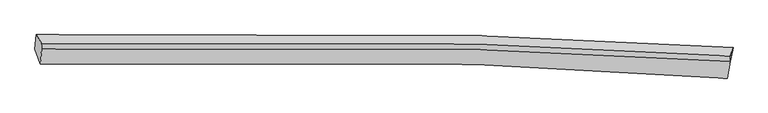
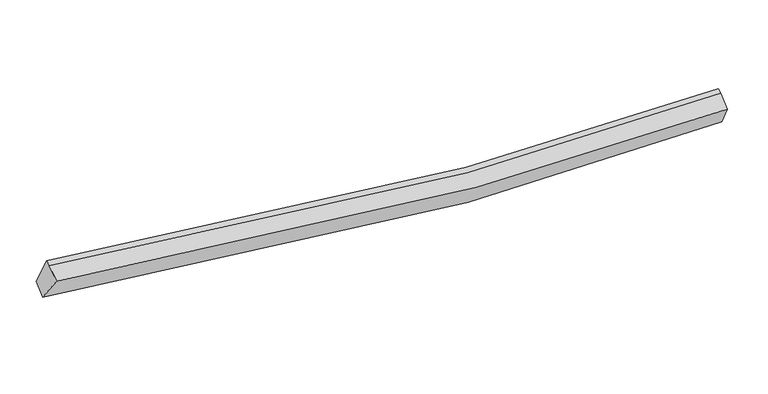
"""IFC4 building model written with IfcOpenShell, lengths in millimetres: proxy geometry."""

from ifc_helpers import new_model, si_unit, frame, origin, place, context, project, spatial, source, transform, mapped, element, save
from ifc_brep_helpers import plane_surface, spline_curve, spline_surface, advanced_brep


def generic_models_88e50571(model_context):
    return source(origin(), model_context, "Body", "AdvancedBrep", [
        advanced_brep(
        [(-9449.8197537, -1954.8500531, 3403.0215474), (-9415.8622438, -1582.9782816, 3622.1970563), (8699.5476912, -1916.4589649, 2465.3100207), (8612.5261823, -2345.5837469, 2313.8334652), (-9306.3752844, -2345.2947978, 4039.0848977), (8548.5519147, -2717.6869378, 2912.8060938), (-9276.9266668, -1959.474834, 4238.5145488), (8624.0620506, -2274.3059008, 3068.1138765), (-9271.1712283, -1817.7435855, 4287.2908558), (8629.6256412, -2137.2990273, 3115.2643066)],
        [
            (0, 1),
            (1, 2, spline_curve(3, [(-9415.8622438, -1582.9782816, 3622.1970563), (-5628.577152817, -1475.255797792, 2886.005037151), (-1817.527986868, -1480.363212183, 2461.405877881), (4236.745804965, -1666.558662258, 2282.995342018), (6464.1666171, -1772.61147624, 2321.965490192), (8699.5476912, -1916.4589649, 2465.3100207)], [4, 2, 4], [0.0, 37.769859214197076, 59.62977971405455])),
            (2, 3),
            (3, 0, spline_curve(3, [(8612.5261823, -2345.5837469, 2313.8334652), (6409.355078777, -2174.708589869, 2127.857547226), (4204.713365065, -2048.971523596, 2058.851709783), (-1813.148954765, -1829.112572336, 2189.689205883), (-5629.289219686, -1824.605073645, 2621.757736724), (-9449.8197537, -1954.8500531, 3403.0215474)], [4, 2, 4], [0.0, 21.859920499857473, 59.62977971405455])),
            (4, 0),
            (3, 5),
            (5, 4, spline_curve(3, [(8548.5519147, -2717.6869378, 2912.8060938), (6369.279722684, -2555.179050841, 2752.090377642), (4189.067471842, -2435.563510825, 2700.746058026), (-1760.708592509, -2226.27697179, 2859.033085707), (-5532.138741669, -2221.761798128, 3285.803673636), (-9306.3752844, -2345.2947978, 4039.0848977)], [4, 2, 4], [0.0, 21.706382151446277, 59.210955780386584])),
            (6, 4),
            (5, 7),
            (7, 6, spline_curve(3, [(8624.0620506, -2274.3059008, 3068.1138765), (6417.693369165, -2133.817367464, 2924.101838675), (4218.254618727, -2030.727585077, 2885.31425901), (-1762.499880478, -1851.534718129, 3066.541652102), (-5530.057368677, -1849.680813126, 3495.462789312), (-9276.9266668, -1959.474834, 4238.5145488)], [4, 2, 4], [0.0, 21.605422529569346, 58.93555679105472])),
            (8, 6),
            (7, 9),
            (9, 8, spline_curve(3, [(8629.6256412, -2137.2990273, 3115.2643066), (6423.344352201, -1994.658393556, 2971.992906511), (4223.969550991, -1889.993818433, 2933.747285804), (-1756.674454498, -1708.080007311, 3115.911083175), (-5524.23194359, -1706.226100743, 3544.832220773), (-9271.1712283, -1817.7435855, 4287.2908558)], [4, 2, 4], [0.0, 21.631540426823385, 59.00680153596872])),
            (1, 8),
            (9, 2),
            (7, 2),
            (3, 7),
        ],
        [
            spline_surface(3, 3, [[(-9449.8197537, -1954.8500531, 3403.0215474), (-5629.289219794, -1824.605074251, 2621.757736706), (-1813.148954774, -1829.112572361, 2189.689205278), (4204.71336507, -2048.971523581, 2058.851710133), (6409.355078749, -2174.70859008, 2127.857547484), (8612.5261823, -2345.5837469, 2313.8334652)], [(-9438.500583747, -1830.892795926, 3476.080050366), (-5629.051863943, -1708.155315426, 2709.840170276), (-1814.608632011, -1712.86278557, 2280.26142941), (4215.390844941, -1921.500569834, 2133.566254114), (6427.625591599, -2040.676218689, 2192.560194961), (8641.533351925, -2202.542152894, 2364.325650344)], [(-9427.181413753, -1706.935538774, 3549.138553334), (-5628.81450805, -1591.705556624, 2797.922603848), (-1816.068309211, -1596.612998798, 2370.833653581), (4226.06832485, -1794.029616106, 2208.280798134), (6445.896104474, -1906.643847315, 2257.262842507), (8670.540521575, -2059.500558906, 2414.817835556)], [(-9415.8622438, -1582.9782816, 3622.1970563), (-5628.577152199, -1475.255797799, 2886.005037417), (-1817.527986448, -1480.363212007, 2461.405877714), (4236.745804722, -1666.55866236, 2282.995342115), (6464.166617325, -1772.611475924, 2321.965489984), (8699.5476912, -1916.4589649, 2465.3100207)]], [4, 4], [4, 2, 4], [0.0, 1.4474980919100189], [0.0, 37.769859214197076, 59.62977971405455]),
            spline_surface(3, 3, [[(-9306.3752844, -2345.2947978, 4039.0848977), (-5532.138741351, -2221.761798453, 3285.803673089), (-1760.708592559, -2226.276971736, 2859.033085685), (4189.06747187, -2435.563510856, 2700.746058039), (6369.279722803, -2555.179050905, 2752.090377488), (8548.5519147, -2717.6869378, 2912.8060938)], [(-9354.190107493, -2215.146549584, 3827.063780929), (-5564.522234159, -2089.376223737, 3064.455027624), (-1778.188713304, -2093.888838615, 2635.918458891), (4194.282769596, -2306.699515102, 2486.781275411), (6382.638174787, -2428.355563976, 2544.012767494), (8569.876670569, -2593.652540846, 2713.148550941)], [(-9402.004930606, -2084.998301316, 3615.042664171), (-5596.905726986, -1956.990648967, 2843.106382171), (-1795.668834028, -1961.500705482, 2412.803832072), (4199.498067344, -2177.835519335, 2272.81649276), (6395.996626764, -2301.532077009, 2335.935157478), (8591.201426431, -2469.618143854, 2513.491008059)], [(-9449.8197537, -1954.8500531, 3403.0215474), (-5629.289219794, -1824.605074251, 2621.757736706), (-1813.148954774, -1829.112572361, 2189.689205278), (4204.71336507, -2048.971523581, 2058.851710133), (6409.355078749, -2174.70859008, 2127.857547484), (8612.5261823, -2345.5837469, 2313.8334652)]], [4, 4], [4, 2, 4], [0.0, 2.5241922623179494], [0.0, 37.50457362894031, 59.210955780386584]),
            spline_surface(3, 3, [[(-9276.9266668, -1959.474834, 4238.5145488), (-5530.057369173, -1849.680812677, 3495.462789879), (-1762.499880252, -1851.534718688, 3066.541652624), (4218.254618596, -2030.727584754, 2885.314258708), (6417.693368807, -2133.817367665, 2924.101838539), (8624.0620506, -2274.3059008, 3068.1138765)], [(-9286.742872666, -2088.081488599, 4172.037998458), (-5530.751159899, -1973.707807935, 3425.576417641), (-1761.902784356, -1976.448803033, 2997.37213031), (4208.525569685, -2165.672893451, 2823.791525151), (6401.555486793, -2274.271262072, 2866.764684878), (8598.892005287, -2422.099579793, 3016.344615623)], [(-9296.559078534, -2216.688143201, 4105.561448042), (-5531.444950626, -2097.734803196, 3355.690045328), (-1761.305688455, -2101.362887391, 2928.202607999), (4198.796520781, -2300.61820216, 2762.268791596), (6385.417604817, -2414.725156498, 2809.427531148), (8573.721960013, -2569.893258807, 2964.575354677)], [(-9306.3752844, -2345.2947978, 4039.0848977), (-5532.138741351, -2221.761798453, 3285.803673089), (-1760.708592559, -2226.276971736, 2859.033085685), (4189.06747187, -2435.563510856, 2700.746058039), (6369.279722803, -2555.179050905, 2752.090377488), (8548.5519147, -2717.6869378, 2912.8060938)]], [4, 4], [4, 2, 4], [0.0, 1.4213643170417682], [0.0, 37.33013426148538, 58.93555679105472]),
            spline_surface(3, 3, [[(-9271.1712283, -1817.7435855, 4287.2908558), (-5524.231944079, -1706.226100828, 3544.832220685), (-1756.674455058, -1708.080006839, 3115.91108343), (4223.969551316, -1889.993818707, 2933.747285656), (6423.34435216, -1994.658393318, 2971.992906521), (8629.6256412, -2137.2990273, 3115.2643066)], [(-9273.089707807, -1864.987334997, 4271.032086785), (-5526.173752451, -1754.044338108, 3528.375743735), (-1758.61626343, -1755.898244118, 3099.45460648), (4222.064573768, -1936.905074052, 2917.602943325), (6421.460691052, -2041.044718114, 2956.029217179), (8627.77111101, -2182.967985147, 3099.547496552)], [(-9275.008187293, -1912.231084503, 4254.773317815), (-5528.115560801, -1801.862575398, 3511.919266829), (-1760.55807188, -1803.716481408, 3082.998129574), (4220.159596143, -1983.816329408, 2901.458601039), (6419.577029915, -2087.431042869, 2940.06552788), (8625.91658079, -2228.636942953, 3083.830686548)], [(-9276.9266668, -1959.474834, 4238.5145488), (-5530.057369173, -1849.680812677, 3495.462789879), (-1762.499880252, -1851.534718688, 3066.541652624), (4218.254618596, -2030.727584754, 2885.314258708), (6417.693368807, -2133.817367665, 2924.101838539), (8624.0620506, -2274.3059008, 3068.1138765)]], [4, 4], [4, 2, 4], [0.0, 0.4951107824847415], [0.0, 37.375261109145335, 59.00680153596872]),
            spline_surface(3, 3, [[(-9415.8622438, -1582.9782816, 3622.1970563), (-5628.577152199, -1475.255797799, 2886.005037417), (-1817.527986448, -1480.363212007, 2461.405877714), (4236.745804722, -1666.55866236, 2282.995342115), (6464.166617325, -1772.611475924, 2321.965489984), (8699.5476912, -1916.4589649, 2465.3100207)], [(-9367.631905286, -1661.233382895, 3843.894989462), (-5593.795416145, -1552.245898804, 3105.614098502), (-1797.243475989, -1556.268810294, 2679.57427964), (4232.487053582, -1741.037047819, 2499.912656649), (6450.559195612, -1846.627115042, 2538.641295503), (8676.240341209, -1990.07231902, 2681.96144934)], [(-9319.401566814, -1739.488484205, 4065.592922638), (-5559.013680133, -1629.235999824, 3325.223159601), (-1776.958965517, -1632.174408551, 2897.742681504), (4228.228302455, -1815.515433248, 2716.829971122), (6436.951773873, -1920.6427542, 2755.317101002), (8652.932991191, -2063.68567318, 2898.61287796)], [(-9271.1712283, -1817.7435855, 4287.2908558), (-5524.231944079, -1706.226100828, 3544.832220685), (-1756.674455058, -1708.080006839, 3115.91108343), (4223.969551316, -1889.993818707, 2933.747285656), (6423.34435216, -1994.658393318, 2971.992906521), (8629.6256412, -2137.2990273, 3115.2643066)]], [4, 4], [4, 2, 4], [0.0, 2.27510651091268], [0.0, 37.595965403850165, 59.35524203188267]),
            plane_surface(frame((-9344.0310354, -1932.0683104, 3918.0217812), z_axis=(-0.9788477695332002, -0.02990358265230647, 0.20239273659011486), x_axis=(-0.07842576990179873, -0.8588477219991593, -0.506191652471833))),
            plane_surface(frame((8651.078461, -2109.354631, 2882.8960679), z_axis=(0.9941120298943718, -0.06909479529833322, 0.08346964287675675), x_axis=(0.1070610609138764, 0.5075332516944152, -0.8549549272683845))),
            plane_surface(frame((8595.0467159, -2445.8588618, 2764.9178118), z_axis=(0.9857584513609005, -0.16816542753702068, 0.0008152004971950372), x_axis=(-0.1586932221355351, -0.9318161663788738, -0.32639714049485924))),
            plane_surface(frame((8645.3786414, -2178.7828709, 2615.7524541), z_axis=(0.9797735527598186, -0.2000710005762498, 0.003921739514757177), x_axis=(-0.015224275793468805, -0.09406778546882406, -0.9954493825220627))),
        ],
        [
            (0, [[1, 2, 3, 4]]),
            (1, [[5, -4, 6, 7]]),
            (2, [[8, -7, 9, 10]]),
            (3, [[11, -10, 12, 13]]),
            (4, [[14, -13, 15, -2]]),
            (5, [[-1, -5, -8, -11, -14]]),
            (6, [[16, -15, -12]]),
            (7, [[-9, -6, 17]]),
            (8, [[-17, -3, -16]]),
        ],
    ),
    ])


if __name__ == "__main__":
    model = new_model("IFC4")
    model_context = context("Model", 3, world=origin())
    ifc_project = project(units=[si_unit("LENGTHUNIT", "METRE", prefix="MILLI")], contexts=[model_context])
    site = spatial("IfcSite", under=ifc_project)
    building = spatial("IfcBuilding", under=site)
    placement = place(None, origin())
    generic_models_shape = generic_models_88e50571(model_context)
    element("IfcBuildingElementProxy", 1, Name="Generic Models", at=placement, inside=building, context=model_context, shape_type="MappedRepresentation", body=[
        mapped(generic_models_shape, transform((0.0, 0.0, 0.0), x_axis=(1.0, 0.0, 0.0), y_axis=(0.0, 1.0, 0.0), z_axis=(0.0, 0.0, 1.0))),
    ])
    save(model, "model.ifc")
